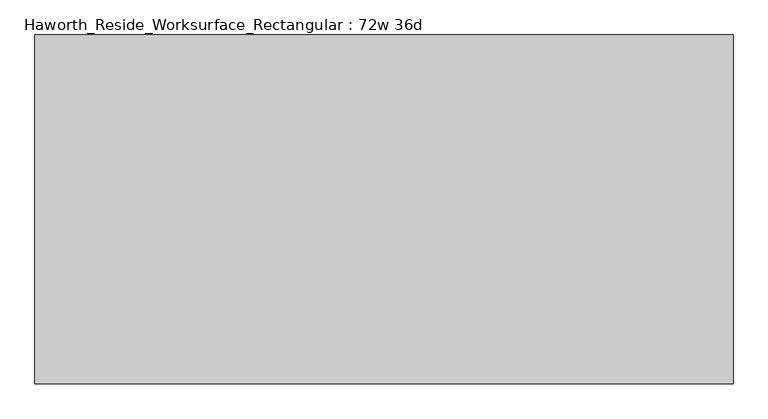
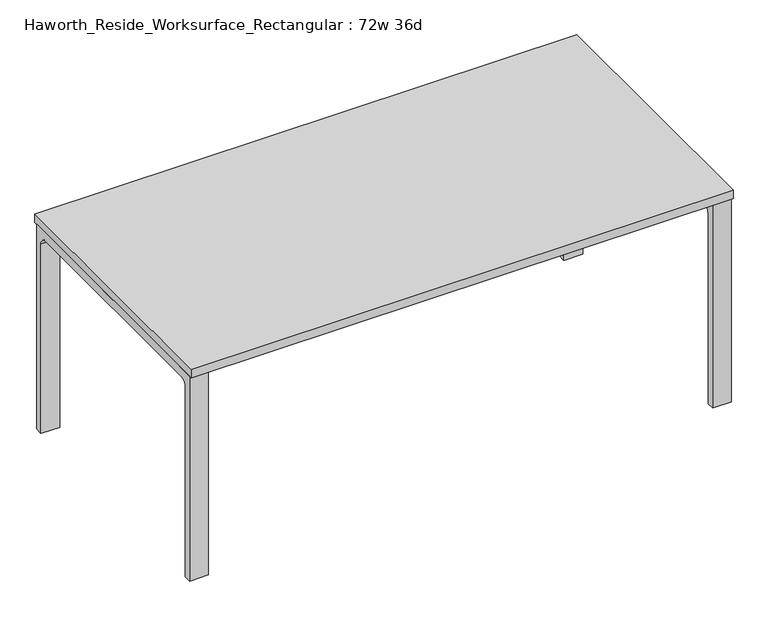
"""IFC4 building model written with IfcOpenShell, lengths in millimetres: furniture geometry, Haworth_Reside_Worksurface_Rectangular : 72w 36d."""

from ifc_helpers import new_model, si_unit, point, frame, frame_2d, origin, place, context, project, spatial, polyline, circle_curve, trimmed, segment, composite_curve, outline, extrude, source, transform, mapped, element, save


def haworth_reside_worksurface_rectangular_72w_36d_67d5e077(model_context):
    return source(origin(), model_context, "Body", "SweptSolid", [
        extrude(outline(composite_curve([segment(trimmed(circle_curve(frame_2d((396.875, 676.275)), 25.4), [point((422.275, 676.275))], [point((396.875, 701.675))], True, "CARTESIAN"), True, "CONTINUOUS"), segment(polyline([(396.875, 701.675), (-396.875, 701.675)]), True, "CONTINUOUS"), segment(trimmed(circle_curve(frame_2d((-396.875, 676.275)), 25.4), [point((-396.875, 701.675))], [point((-422.275, 676.275))], True, "CARTESIAN"), True, "CONTINUOUS"), segment(polyline([(-422.275, 676.275), (-422.275, 0.0), (-447.675, 0.0), (-447.675, 731.8375), (447.675, 731.8375), (447.675, 0.0), (422.275, 0.0), (422.275, 676.275)]), True, "CONTINUOUS")], self_intersect=False)), frame((850.9, 0.0, 0.0), z_axis=(1.0, 0.0, 0.0), x_axis=(0.0, 1.0, 0.0)), (0.0, 0.0, 1.0), 63.5),
        extrude(outline(composite_curve([segment(trimmed(circle_curve(frame_2d((396.875, 676.275)), 25.4), [point((422.275, 676.275))], [point((396.875, 701.675))], True, "CARTESIAN"), True, "CONTINUOUS"), segment(polyline([(396.875, 701.675), (-396.875, 701.675)]), True, "CONTINUOUS"), segment(trimmed(circle_curve(frame_2d((-396.875, 676.275)), 25.4), [point((-396.875, 701.675))], [point((-422.275, 676.275))], True, "CARTESIAN"), True, "CONTINUOUS"), segment(polyline([(-422.275, 676.275), (-422.275, 0.0), (-447.675, 0.0), (-447.675, 731.8375), (447.675, 731.8375), (447.675, 0.0), (422.275, 0.0), (422.275, 676.275)]), True, "CONTINUOUS")], self_intersect=False)), frame((-914.4, 0.0, 0.0), z_axis=(1.0, 0.0, 0.0), x_axis=(0.0, 1.0, 0.0)), (0.0, 0.0, 1.0), 63.5),
        extrude(outline(polyline([(914.4, 457.2), (914.4, -457.2), (-914.4, -457.2), (-914.4, 457.2), (914.4, 457.2)])), frame((0.0, 0.0, 731.8375), z_axis=(0.0, 0.0, 1.0), x_axis=(1.0, 0.0, 0.0)), (0.0, 0.0, 1.0), 30.1625),
    ])


if __name__ == "__main__":
    model = new_model("IFC4")
    model_context = context("Model", 3, world=origin())
    ifc_project = project(units=[si_unit("LENGTHUNIT", "METRE", prefix="MILLI")], contexts=[model_context])
    site = spatial("IfcSite", under=ifc_project)
    building = spatial("IfcBuilding", under=site)
    placement = place(None, origin())
    haworth_reside_worksurface_rectangular_72w_36d_shape = haworth_reside_worksurface_rectangular_72w_36d_67d5e077(model_context)
    element("IfcFurniture", 1, ObjectType="Haworth_Reside_Worksurface_Rectangular : 72w 36d", at=placement, inside=building, context=model_context, shape_type="MappedRepresentation", body=[
        mapped(haworth_reside_worksurface_rectangular_72w_36d_shape, transform((0.0, 0.0, 0.0), x_axis=(1.0, 0.0, 0.0), y_axis=(0.0, 1.0, 0.0), z_axis=(0.0, 0.0, 1.0))),
    ])
    save(model, "model.ifc")
